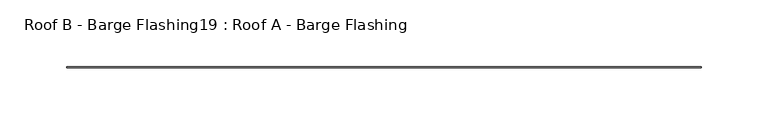
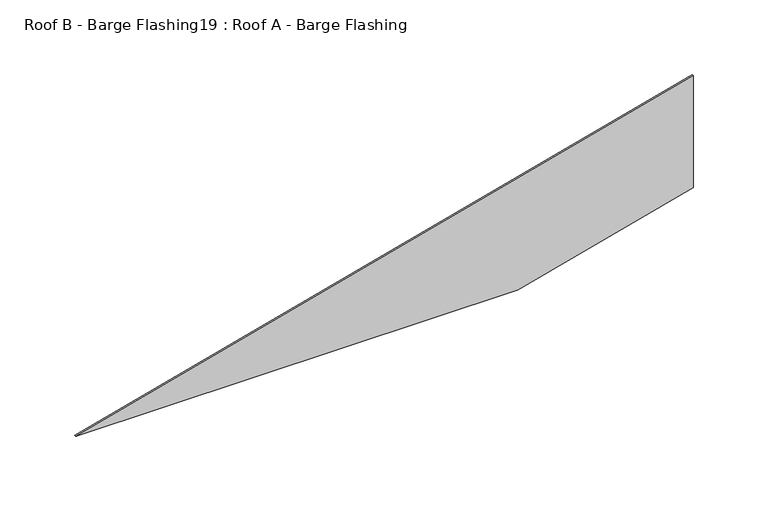
"""IFC4 building model written with IfcOpenShell, lengths in millimetres: proxy geometry, Roof B - Barge Flashing19 : Roof A - Barge Flashing."""

from ifc_helpers import new_model, si_unit, frame, origin, place, context, project, spatial, polyline, outline, extrude, source, transform, mapped, element, save


def roof_b_barge_flashing19_roof_a_barge_flashing_90a79de2(model_context):
    return source(origin(), model_context, "Body", "SweptSolid", [
        extrude(outline(polyline([(3184.2197316, -4952.5993027), (3275.6605003, -4952.5993027), (3147.9403306, -5429.2574652), (3147.9403306, -5087.9958708), (3184.2197316, -4952.5993027)])), frame((0.0, -32225.306101, 0.0), z_axis=(0.0, 1.0, 0.0), x_axis=(0.0, 0.0, 1.0)), (0.0, 0.0, 1.0), 1.0),
    ])


if __name__ == "__main__":
    model = new_model("IFC4")
    model_context = context("Model", 3, world=origin())
    ifc_project = project(units=[si_unit("LENGTHUNIT", "METRE", prefix="MILLI")], contexts=[model_context])
    site = spatial("IfcSite", under=ifc_project)
    building = spatial("IfcBuilding", under=site)
    placement = place(None, origin())
    roof_b_barge_flashing19_roof_a_barge_flashing_shape = roof_b_barge_flashing19_roof_a_barge_flashing_90a79de2(model_context)
    element("IfcBuildingElementProxy", 1, Name="Roof B - Barge Flashing19 : Roof A - Barge Flashing", ObjectType="Roof B - Barge Flashing19 : Roof A - Barge Flashing", at=placement, inside=building, context=model_context, shape_type="MappedRepresentation", body=[
        mapped(roof_b_barge_flashing19_roof_a_barge_flashing_shape, transform((0.0, 0.0, 0.0), x_axis=(1.0, 0.0, 0.0), y_axis=(0.0, 1.0, 0.0), z_axis=(0.0, 0.0, 1.0))),
    ])
    save(model, "model.ifc")
